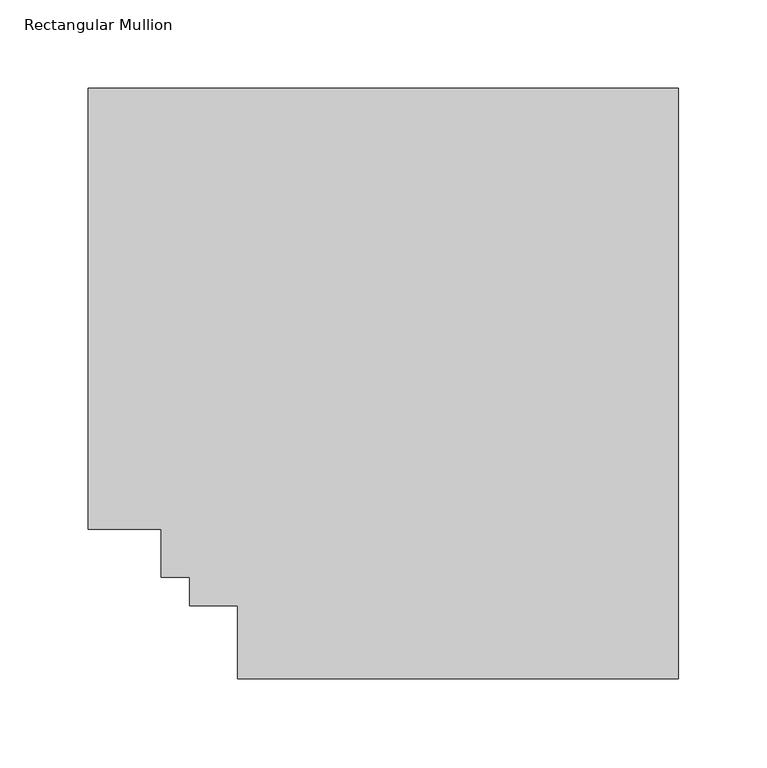
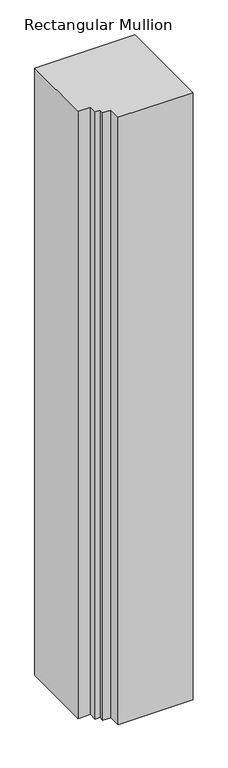
"""IFC4 building model written with IfcOpenShell, lengths in millimetres: member geometry, Rectangular Mullion."""

import ifcopenshell
import ifcopenshell.guid

model = None  # the IFC model being written
_history = None  # IfcOwnerHistory: only IFC2X3 demands one
_inside = {}  # id of a spatial element -> (the spatial element, [elements in it])
_under = {}  # id of a project, library or spatial element -> (it, [spatial elements below it])
_declared = {}  # id of a project -> (the project, [libraries it declares])
_typed = {}  # id of a type object -> (the type object, [elements of that type])
_made_of = {}  # id of a material, layer set ... -> (it, [elements and type objects made of it])


def new_model(schema):
    """Start an empty IFC model of exactly this schema.

    Asked for "IFC4X3", IfcOpenShell would pick the latest addendum, in which some entities
    have other attributes; the version numbers below select the first issue.
    IFC2X3 requires an IfcOwnerHistory on every rooted entity: one is made here for all.
    """
    global model, _history
    if schema == "IFC4X3":
        model = ifcopenshell.file(schema_version=(4, 3, 0, 0))
    else:
        model = ifcopenshell.file(schema=schema)
    _inside.clear()
    _under.clear()
    _declared.clear()
    _typed.clear()
    _made_of.clear()
    _history = None
    if model.schema == "IFC2X3":
        org = make("IfcOrganization", Name="unknown")
        user = make(
            "IfcPersonAndOrganization",
            ThePerson=make("IfcPerson", FamilyName="unknown"),
            TheOrganization=org,
        )
        app = make(
            "IfcApplication",
            ApplicationDeveloper=org,
            Version="unknown",
            ApplicationFullName="unknown",
            ApplicationIdentifier="unknown",
        )
        _history = make(
            "IfcOwnerHistory",
            OwningUser=user,
            OwningApplication=app,
            ChangeAction="ADDED",
            CreationDate=0,
        )
    return model


def make(cls, **values):
    """One entity of the class cls with the attributes given. An attribute that is None is left unset."""
    return model.create_entity(
        cls, **{name: value for name, value in values.items() if value is not None}
    )


def rooted(cls, **values):
    """An entity with a GlobalId (a new one), such as an element, a storey or a relation."""
    return make(cls, GlobalId=ifcopenshell.guid.new(), OwnerHistory=_history, **values)


def si_unit(unit_type, name, prefix=None):
    """IfcSIUnit, for example si_unit("LENGTHUNIT", "METRE", prefix="MILLI")."""
    return make("IfcSIUnit", UnitType=unit_type, Prefix=prefix, Name=name)


def assignment(units):
    """IfcUnitAssignment: the units of a project."""
    return None if units is None else make("IfcUnitAssignment", Units=units)


def point(xyz):
    """IfcCartesianPoint."""
    return None if xyz is None else make("IfcCartesianPoint", Coordinates=xyz)


def direction(xyz):
    """IfcDirection."""
    return None if xyz is None else make("IfcDirection", DirectionRatios=xyz)


def frame(location, z_axis=None, x_axis=None):
    """IfcAxis2Placement3D, a coordinate frame: its origin and axes. An axis left out is left unset."""
    return make(
        "IfcAxis2Placement3D",
        Location=point(location),
        Axis=direction(z_axis),
        RefDirection=direction(x_axis),
    )


def origin():
    """The frame at (0, 0, 0) with its axes left unset."""
    return frame((0.0, 0.0, 0.0))


def place(relative_to, where):
    """IfcLocalPlacement: puts the frame where relative to a parent placement (None: the world)."""
    return make(
        "IfcLocalPlacement", PlacementRelTo=relative_to, RelativePlacement=where
    )


def context(
    kind, dimensions, precision=None, world=None, true_north=None, identifier=None
):
    """IfcGeometricRepresentationContext, for example the 3D "Model" context."""
    return make(
        "IfcGeometricRepresentationContext",
        ContextIdentifier=identifier,
        ContextType=kind,
        CoordinateSpaceDimension=dimensions,
        Precision=precision,
        WorldCoordinateSystem=world,
        TrueNorth=true_north,
    )


def project(units=None, contexts=None):
    """IfcProject with its units and contexts."""
    return rooted(
        "IfcProject",
        Name="project",
        RepresentationContexts=contexts,
        UnitsInContext=assignment(units),
    )


def spatial(cls, under=None, at=None, **own):
    """A site, building, storey or space (cls), placed at a placement, below another one or the project."""
    s = rooted(cls, ObjectPlacement=at, **own)
    if under is not None:
        _under.setdefault(under.id(), (under, []))[1].append(s)
    return s


def polyline(points):
    """IfcPolyline through the points."""
    return make("IfcPolyline", Points=[point(p) for p in points])


def outline(outer, holes=None, kind="AREA"):
    """IfcArbitraryClosedProfileDef: a profile drawn as a closed curve; with holes, ...WithVoids."""
    if holes is None:
        return make("IfcArbitraryClosedProfileDef", ProfileType=kind, OuterCurve=outer)
    return make(
        "IfcArbitraryProfileDefWithVoids",
        ProfileType=kind,
        OuterCurve=outer,
        InnerCurves=holes,
    )


def extrude(swept, where, along, depth):
    """IfcExtrudedAreaSolid: the profile swept, set in the frame where, extruded along a direction by depth."""
    return make(
        "IfcExtrudedAreaSolid",
        SweptArea=swept,
        Position=where,
        ExtrudedDirection=direction(along),
        Depth=depth,
    )


def shape(context_of_items, identifier, shape_type, items):
    """IfcShapeRepresentation: the items that make up one representation, for example the "Body"."""
    return make(
        "IfcShapeRepresentation",
        ContextOfItems=context_of_items,
        RepresentationIdentifier=identifier,
        RepresentationType=shape_type,
        Items=items,
    )


def source(mapping_origin, context_of_items, identifier, shape_type, items):
    """IfcRepresentationMap: a shape defined once, which mapped items show again and again."""
    return make(
        "IfcRepresentationMap",
        MappingOrigin=mapping_origin,
        MappedRepresentation=shape(context_of_items, identifier, shape_type, items),
    )


def transform(
    local_origin,
    x_axis=None,
    y_axis=None,
    z_axis=None,
    scale=None,
    scale2=None,
    scale3=None,
    uniform=True,
):
    """IfcCartesianTransformationOperator3D, or its non-uniform kind. x_axis, y_axis, z_axis: its Axis1, 2, 3."""
    if uniform:
        return make(
            "IfcCartesianTransformationOperator3D",
            Axis1=direction(x_axis),
            Axis2=direction(y_axis),
            LocalOrigin=point(local_origin),
            Scale=scale,
            Axis3=direction(z_axis),
        )
    return make(
        "IfcCartesianTransformationOperator3DnonUniform",
        Axis1=direction(x_axis),
        Axis2=direction(y_axis),
        LocalOrigin=point(local_origin),
        Scale=scale,
        Axis3=direction(z_axis),
        Scale2=scale2,
        Scale3=scale3,
    )


def mapped(mapping_source, mapping_target):
    """IfcMappedItem: shows the shape of a source again, moved by a transform."""
    return make(
        "IfcMappedItem", MappingSource=mapping_source, MappingTarget=mapping_target
    )


def made_of(thing, what):
    """Note that an element or type object is made of a material, layer set ...; save() writes the relation."""
    if what is not None:
        _made_of.setdefault(what.id(), (what, []))[1].append(thing)
    return thing


def element(
    cls,
    number,
    at=None,
    inside=None,
    cuts=None,
    type_object=None,
    material=None,
    context=None,
    identifier="Body",
    shape_type=None,
    held_by="IfcProductDefinitionShape",
    body=None,
    shapes=None,
    **own,
):
    """One element of the class cls, such as IfcWall. Its Tag is "e" and its number.

    at: its placement. inside: the storey or other place that contains it. cuts: it is an
    opening in that element (IfcRelVoidsElement). A single representation is given by context,
    identifier, shape_type and body (its items); several are given by shapes. held_by: the class
    of the entity that holds the representations. save() writes the other relations.
    """
    e = rooted(cls, Tag="e%d" % number, ObjectPlacement=at, **own)
    if body is not None:
        shapes = [shape(context, identifier, shape_type, body)]
    if shapes is not None:
        e.Representation = make(held_by, Representations=shapes)
    if inside is not None:
        _inside.setdefault(inside.id(), (inside, []))[1].append(e)
    if cuts is not None:
        rooted(
            "IfcRelVoidsElement", RelatingBuildingElement=cuts, RelatedOpeningElement=e
        )
    if type_object is not None:
        _typed.setdefault(type_object.id(), (type_object, []))[1].append(e)
    return made_of(e, material)


def aggregate(whole, parts):
    """IfcRelAggregates: a whole, such as a stair, and the parts it consists of."""
    return rooted("IfcRelAggregates", RelatingObject=whole, RelatedObjects=parts)


def save(model, path):
    """Write the relations noted so far, then the file.

    IfcRelAggregates (storeys below a building ...), IfcRelContainedInSpatialStructure (elements
    in a storey), IfcRelDefinesByType, IfcRelAssociatesMaterial and IfcRelDeclares: one each for
    every whole, place, type object, material and project.
    """
    for whole, parts in _under.values():
        aggregate(whole, parts)
    for where, things in _inside.values():
        rooted(
            "IfcRelContainedInSpatialStructure",
            RelatedElements=things,
            RelatingStructure=where,
        )
    for kind, things in _typed.values():
        rooted("IfcRelDefinesByType", RelatedObjects=things, RelatingType=kind)
    for what, things in _made_of.values():
        rooted("IfcRelAssociatesMaterial", RelatedObjects=things, RelatingMaterial=what)
    for by, libraries in _declared.values():
        rooted("IfcRelDeclares", RelatingContext=by, RelatedDefinitions=libraries)
    model.write(path)


def rectangular_mullion_50686c4f(model_context):
    return source(origin(), model_context, "Body", "SweptSolid", [
        extrude(outline(polyline([(0.0, 295.9695313), (0.0, -37.7805771), (-249.2248011, -37.7805771), (-249.2248011, 3.4944228), (-276.4028011, 3.4944228), (-276.4028011, 19.5667302), (-292.4751084, 19.5667302), (-292.4751084, 46.7447302), (-333.7501084, 46.7447302), (-333.7501084, 295.9695313), (0.0, 295.9695313)])), frame((0.0, 0.0, -2133.6), z_axis=(0.0, 0.0, 1.0), x_axis=(1.0, 0.0, 0.0)), (0.0, 0.0, 1.0), 2133.6),
    ])


if __name__ == "__main__":
    model = new_model("IFC4")
    model_context = context("Model", 3, world=origin())
    ifc_project = project(units=[si_unit("LENGTHUNIT", "METRE", prefix="MILLI")], contexts=[model_context])
    site = spatial("IfcSite", under=ifc_project)
    building = spatial("IfcBuilding", under=site)
    placement = place(None, origin())
    rectangular_mullion_shape = rectangular_mullion_50686c4f(model_context)
    element("IfcMember", 1, ObjectType="Rectangular Mullion", at=placement, inside=building, context=model_context, shape_type="MappedRepresentation", body=[
        mapped(rectangular_mullion_shape, transform((0.0, 0.0, 0.0), x_axis=(1.0, 0.0, 0.0), y_axis=(0.0, 1.0, 0.0), z_axis=(0.0, 0.0, 1.0))),
    ])
    save(model, "model.ifc")
